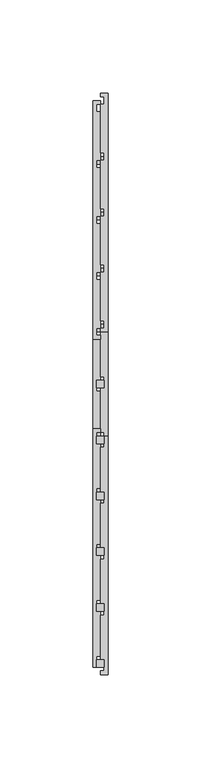
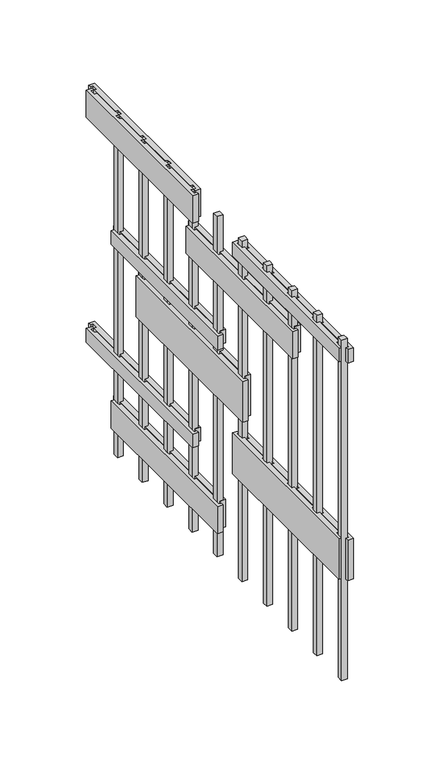
"""IFC4 building model written with IfcOpenShell, lengths in millimetres: proxy geometry."""

from ifc_helpers import new_model, si_unit, frame, origin, origin_with_axes, place, context, project, spatial, polyline, outline, extrude, source, transform, mapped, element, save


def generic_models_b4d4050b(model_context):
    return source(origin(), model_context, "Body", "SweptSolid", [
        extrude(outline(polyline([(2.0, -242.0), (-2.0, -242.0), (-2.0, -238.0), (2.0, -238.0), (2.0, -242.0)])), origin_with_axes(), (0.0, 0.0, 1.0), 250.0),
        extrude(outline(polyline([(2.0, -272.0), (-2.0, -272.0), (-2.0, -268.0), (2.0, -268.0), (2.0, -272.0)])), origin_with_axes(), (0.0, 0.0, 1.0), 250.0),
        extrude(outline(polyline([(4.0, 36.0), (4.0, -92.0), (0.0, -92.0), (0.0, -90.0), (2.0, -90.0), (2.0, -86.0), (0.0, -86.0), (0.0, -60.0), (2.0, -60.0), (2.0, -56.0), (0.0, -56.0), (0.0, -30.0), (2.0, -30.0), (2.0, -26.0), (0.0, -26.0), (0.0, 0.0), (2.0, 0.0), (2.0, 4.0), (0.0, 4.0), (0.0, 30.0), (2.0, 30.0), (2.0, 34.0), (0.0, 34.0), (0.0, 36.0), (4.0, 36.0)])), frame((0.0, 0.0, 65.0), z_axis=(0.0, 0.0, 1.0), x_axis=(1.0, 0.0, 0.0)), (0.0, 0.0, 1.0), 10.0),
        extrude(outline(polyline([(4.0, 6.0), (4.0, -122.0), (0.0, -122.0), (0.0, -120.0), (2.0, -120.0), (2.0, -116.0), (0.0, -116.0), (0.0, -90.0), (2.0, -90.0), (2.0, -86.0), (0.0, -86.0), (0.0, -60.0), (2.0, -60.0), (2.0, -56.0), (0.0, -56.0), (0.0, -30.0), (2.0, -30.0), (2.0, -26.0), (0.0, -26.0), (0.0, 0.0), (2.0, 0.0), (2.0, 4.0), (0.0, 4.0), (0.0, 6.0), (4.0, 6.0)])), frame((0.0, 0.0, 20.0), z_axis=(0.0, 0.0, 1.0), x_axis=(1.0, 0.0, 0.0)), (0.0, 0.0, 1.0), 20.0),
        extrude(outline(polyline([(4.0, -148.0), (4.0, -276.0), (0.0, -276.0), (0.0, -274.0), (2.0, -274.0), (2.0, -270.0), (0.0, -270.0), (0.0, -244.0), (2.0, -244.0), (2.0, -240.0), (0.0, -240.0), (0.0, -214.0), (2.0, -214.0), (2.0, -210.0), (0.0, -210.0), (0.0, -184.0), (2.0, -184.0), (2.0, -180.0), (0.0, -180.0), (0.0, -154.0), (2.0, -154.0), (2.0, -150.0), (0.0, -150.0), (0.0, -148.0), (4.0, -148.0)])), frame((0.0, 0.0, 75.0), z_axis=(0.0, 0.0, 1.0), x_axis=(1.0, 0.0, 0.0)), (0.0, 0.0, 1.0), 30.0),
        extrude(outline(polyline([(4.0, -24.0), (4.0, -152.0), (0.0, -152.0), (0.0, -150.0), (2.0, -150.0), (2.0, -146.0), (0.0, -146.0), (0.0, -120.0), (2.0, -120.0), (2.0, -116.0), (0.0, -116.0), (0.0, -90.0), (2.0, -90.0), (2.0, -86.0), (0.0, -86.0), (0.0, -60.0), (2.0, -60.0), (2.0, -56.0), (0.0, -56.0), (0.0, -30.0), (2.0, -30.0), (2.0, -26.0), (0.0, -26.0), (0.0, -24.0), (4.0, -24.0)])), frame((0.0, 0.0, 120.0), z_axis=(0.0, 0.0, 1.0), x_axis=(1.0, 0.0, 0.0)), (0.0, 0.0, 1.0), 30.0),
        extrude(outline(polyline([(4.0, 6.0), (4.0, -122.0), (0.0, -122.0), (0.0, -120.0), (2.0, -120.0), (2.0, -116.0), (0.0, -116.0), (0.0, -90.0), (2.0, -90.0), (2.0, -86.0), (0.0, -86.0), (0.0, -60.0), (2.0, -60.0), (2.0, -56.0), (0.0, -56.0), (0.0, -30.0), (2.0, -30.0), (2.0, -26.0), (0.0, -26.0), (0.0, 0.0), (2.0, 0.0), (2.0, 4.0), (0.0, 4.0), (0.0, 6.0), (4.0, 6.0)])), frame((0.0, 0.0, 155.0), z_axis=(0.0, 0.0, 1.0), x_axis=(1.0, 0.0, 0.0)), (0.0, 0.0, 1.0), 10.0),
        extrude(outline(polyline([(4.0, -84.0), (4.0, -212.0), (0.0, -212.0), (0.0, -210.0), (2.0, -210.0), (2.0, -206.0), (0.0, -206.0), (0.0, -180.0), (2.0, -180.0), (2.0, -176.0), (0.0, -176.0), (0.0, -150.0), (2.0, -150.0), (2.0, -146.0), (0.0, -146.0), (0.0, -120.0), (2.0, -120.0), (2.0, -116.0), (0.0, -116.0), (0.0, -90.0), (2.0, -90.0), (2.0, -86.0), (0.0, -86.0), (0.0, -84.0), (4.0, -84.0)])), frame((0.0, 0.0, 203.0), z_axis=(0.0, 0.0, 1.0), x_axis=(1.0, 0.0, 0.0)), (0.0, 0.0, 1.0), 20.0),
        extrude(outline(polyline([(4.0, -148.0), (4.0, -276.0), (0.0, -276.0), (0.0, -274.0), (2.0, -274.0), (2.0, -270.0), (0.0, -270.0), (0.0, -244.0), (2.0, -244.0), (2.0, -240.0), (0.0, -240.0), (0.0, -214.0), (2.0, -214.0), (2.0, -210.0), (0.0, -210.0), (0.0, -184.0), (2.0, -184.0), (2.0, -180.0), (0.0, -180.0), (0.0, -154.0), (2.0, -154.0), (2.0, -150.0), (0.0, -150.0), (0.0, -148.0), (4.0, -148.0)])), frame((0.0, 0.0, 235.0), z_axis=(0.0, 0.0, 1.0), x_axis=(1.0, 0.0, 0.0)), (0.0, 0.0, 1.0), 10.0),
        extrude(outline(polyline([(4.0, 36.0), (4.0, -92.0), (0.0, -92.0), (0.0, -90.0), (2.0, -90.0), (2.0, -86.0), (0.0, -86.0), (0.0, -60.0), (2.0, -60.0), (2.0, -56.0), (0.0, -56.0), (0.0, -30.0), (2.0, -30.0), (2.0, -26.0), (0.0, -26.0), (0.0, 0.0), (2.0, 0.0), (2.0, 4.0), (0.0, 4.0), (0.0, 30.0), (2.0, 30.0), (2.0, 34.0), (0.0, 34.0), (0.0, 36.0), (4.0, 36.0)])), frame((0.0, 0.0, 230.0), z_axis=(0.0, 0.0, 1.0), x_axis=(1.0, 0.0, 0.0)), (0.0, 0.0, 1.0), 20.0),
        extrude(outline(polyline([(-4.0, -272.0), (-4.0, -144.0), (0.0, -144.0), (0.0, -146.0), (-2.0, -146.0), (-2.0, -150.0), (0.0, -150.0), (0.0, -176.0), (-2.0, -176.0), (-2.0, -180.0), (0.0, -180.0), (0.0, -206.0), (-2.0, -206.0), (-2.0, -210.0), (0.0, -210.0), (0.0, -236.0), (-2.0, -236.0), (-2.0, -240.0), (0.0, -240.0), (0.0, -266.0), (-2.0, -266.0), (-2.0, -270.0), (0.0, -270.0), (0.0, -272.0), (-4.0, -272.0)])), frame((0.0, 0.0, 235.0), z_axis=(0.0, 0.0, 1.0), x_axis=(1.0, 0.0, 0.0)), (0.0, 0.0, 1.0), 10.0),
        extrude(outline(polyline([(-4.0, -272.0), (-4.0, -144.0), (0.0, -144.0), (0.0, -146.0), (-2.0, -146.0), (-2.0, -150.0), (0.0, -150.0), (0.0, -176.0), (-2.0, -176.0), (-2.0, -180.0), (0.0, -180.0), (0.0, -206.0), (-2.0, -206.0), (-2.0, -210.0), (0.0, -210.0), (0.0, -236.0), (-2.0, -236.0), (-2.0, -240.0), (0.0, -240.0), (0.0, -266.0), (-2.0, -266.0), (-2.0, -270.0), (0.0, -270.0), (0.0, -272.0), (-4.0, -272.0)])), frame((0.0, 0.0, 75.0), z_axis=(0.0, 0.0, 1.0), x_axis=(1.0, 0.0, 0.0)), (0.0, 0.0, 1.0), 30.0),
        extrude(outline(polyline([(-4.0, -96.0), (-4.0, 32.0), (0.0, 32.0), (0.0, 30.0), (-2.0, 30.0), (-2.0, 26.0), (0.0, 26.0), (0.0, 0.0), (-2.0, 0.0), (-2.0, -4.0), (0.0, -4.0), (0.0, -30.0), (-2.0, -30.0), (-2.0, -34.0), (0.0, -34.0), (0.0, -60.0), (-2.0, -60.0), (-2.0, -64.0), (0.0, -64.0), (0.0, -90.0), (-2.0, -90.0), (-2.0, -94.0), (0.0, -94.0), (0.0, -96.0), (-4.0, -96.0)])), frame((0.0, 0.0, 230.0), z_axis=(0.0, 0.0, 1.0), x_axis=(1.0, 0.0, 0.0)), (0.0, 0.0, 1.0), 20.0),
        extrude(outline(polyline([(2.0, -212.0), (-2.0, -212.0), (-2.0, -208.0), (2.0, -208.0), (2.0, -212.0)])), origin_with_axes(), (0.0, 0.0, 1.0), 250.0),
        extrude(outline(polyline([(2.0, -182.0), (-2.0, -182.0), (-2.0, -178.0), (2.0, -178.0), (2.0, -182.0)])), origin_with_axes(), (0.0, 0.0, 1.0), 250.0),
        extrude(outline(polyline([(-4.0, -216.0), (-4.0, -88.0), (0.0, -88.0), (0.0, -90.0), (-2.0, -90.0), (-2.0, -94.0), (0.0, -94.0), (0.0, -120.0), (-2.0, -120.0), (-2.0, -124.0), (0.0, -124.0), (0.0, -150.0), (-2.0, -150.0), (-2.0, -154.0), (0.0, -154.0), (0.0, -180.0), (-2.0, -180.0), (-2.0, -184.0), (0.0, -184.0), (0.0, -210.0), (-2.0, -210.0), (-2.0, -214.0), (0.0, -214.0), (0.0, -216.0), (-4.0, -216.0)])), frame((0.0, 0.0, 203.0), z_axis=(0.0, 0.0, 1.0), x_axis=(1.0, 0.0, 0.0)), (0.0, 0.0, 1.0), 20.0),
        extrude(outline(polyline([(-4.0, -96.0), (-4.0, 32.0), (0.0, 32.0), (0.0, 30.0), (-2.0, 30.0), (-2.0, 26.0), (0.0, 26.0), (0.0, 0.0), (-2.0, 0.0), (-2.0, -4.0), (0.0, -4.0), (0.0, -30.0), (-2.0, -30.0), (-2.0, -34.0), (0.0, -34.0), (0.0, -60.0), (-2.0, -60.0), (-2.0, -64.0), (0.0, -64.0), (0.0, -90.0), (-2.0, -90.0), (-2.0, -94.0), (0.0, -94.0), (0.0, -96.0), (-4.0, -96.0)])), frame((0.0, 0.0, 65.0), z_axis=(0.0, 0.0, 1.0), x_axis=(1.0, 0.0, 0.0)), (0.0, 0.0, 1.0), 10.0),
        extrude(outline(polyline([(-4.0, -126.0), (-4.0, 2.0), (0.0, 2.0), (0.0, 0.0), (-2.0, 0.0), (-2.0, -4.0), (0.0, -4.0), (0.0, -30.0), (-2.0, -30.0), (-2.0, -34.0), (0.0, -34.0), (0.0, -60.0), (-2.0, -60.0), (-2.0, -64.0), (0.0, -64.0), (0.0, -90.0), (-2.0, -90.0), (-2.0, -94.0), (0.0, -94.0), (0.0, -120.0), (-2.0, -120.0), (-2.0, -124.0), (0.0, -124.0), (0.0, -126.0), (-4.0, -126.0)])), frame((0.0, 0.0, 20.0), z_axis=(0.0, 0.0, 1.0), x_axis=(1.0, 0.0, 0.0)), (0.0, 0.0, 1.0), 20.0),
        extrude(outline(polyline([(-4.0, -156.0), (-4.0, -28.0), (0.0, -28.0), (0.0, -30.0), (-2.0, -30.0), (-2.0, -34.0), (0.0, -34.0), (0.0, -60.0), (-2.0, -60.0), (-2.0, -64.0), (0.0, -64.0), (0.0, -90.0), (-2.0, -90.0), (-2.0, -94.0), (0.0, -94.0), (0.0, -120.0), (-2.0, -120.0), (-2.0, -124.0), (0.0, -124.0), (0.0, -150.0), (-2.0, -150.0), (-2.0, -154.0), (0.0, -154.0), (0.0, -156.0), (-4.0, -156.0)])), frame((0.0, 0.0, 120.0), z_axis=(0.0, 0.0, 1.0), x_axis=(1.0, 0.0, 0.0)), (0.0, 0.0, 1.0), 30.0),
        extrude(outline(polyline([(-4.0, -126.0), (-4.0, 2.0), (0.0, 2.0), (0.0, 0.0), (-2.0, 0.0), (-2.0, -4.0), (0.0, -4.0), (0.0, -30.0), (-2.0, -30.0), (-2.0, -34.0), (0.0, -34.0), (0.0, -60.0), (-2.0, -60.0), (-2.0, -64.0), (0.0, -64.0), (0.0, -90.0), (-2.0, -90.0), (-2.0, -94.0), (0.0, -94.0), (0.0, -120.0), (-2.0, -120.0), (-2.0, -124.0), (0.0, -124.0), (0.0, -126.0), (-4.0, -126.0)])), frame((0.0, 0.0, 155.0), z_axis=(0.0, 0.0, 1.0), x_axis=(1.0, 0.0, 0.0)), (0.0, 0.0, 1.0), 10.0),
        extrude(outline(polyline([(2.0, -148.0), (2.0, -152.0), (-2.0, -152.0), (-2.0, -148.0), (2.0, -148.0)])), origin_with_axes(), (0.0, 0.0, 1.0), 250.0),
        extrude(outline(polyline([(2.0, -118.0), (2.0, -122.0), (-2.0, -122.0), (-2.0, -118.0), (2.0, -118.0)])), origin_with_axes(), (0.0, 0.0, 1.0), 250.0),
        extrude(outline(polyline([(2.0, -88.0), (2.0, -92.0), (-2.0, -92.0), (-2.0, -88.0), (2.0, -88.0)])), origin_with_axes(), (0.0, 0.0, 1.0), 250.0),
        extrude(outline(polyline([(2.0, -58.0), (2.0, -62.0), (-2.0, -62.0), (-2.0, -58.0), (2.0, -58.0)])), origin_with_axes(), (0.0, 0.0, 1.0), 250.0),
        extrude(outline(polyline([(2.0, -28.0), (2.0, -32.0), (-2.0, -32.0), (-2.0, -28.0), (2.0, -28.0)])), origin_with_axes(), (0.0, 0.0, 1.0), 250.0),
        extrude(outline(polyline([(2.0, 2.0), (2.0, -2.0), (-2.0, -2.0), (-2.0, 2.0), (2.0, 2.0)])), origin_with_axes(), (0.0, 0.0, 1.0), 250.0),
    ])


if __name__ == "__main__":
    model = new_model("IFC4")
    model_context = context("Model", 3, world=origin())
    ifc_project = project(units=[si_unit("LENGTHUNIT", "METRE", prefix="MILLI")], contexts=[model_context])
    site = spatial("IfcSite", under=ifc_project)
    building = spatial("IfcBuilding", under=site)
    placement = place(None, origin())
    generic_models_shape = generic_models_b4d4050b(model_context)
    element("IfcBuildingElementProxy", 1, Name="Generic Models", at=placement, inside=building, context=model_context, shape_type="MappedRepresentation", body=[
        mapped(generic_models_shape, transform((0.0, 0.0, 0.0), x_axis=(1.0, 0.0, 0.0), y_axis=(0.0, 1.0, 0.0), z_axis=(0.0, 0.0, 1.0))),
    ])
    save(model, "model.ifc")
